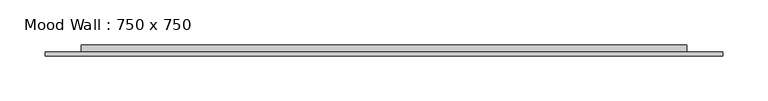
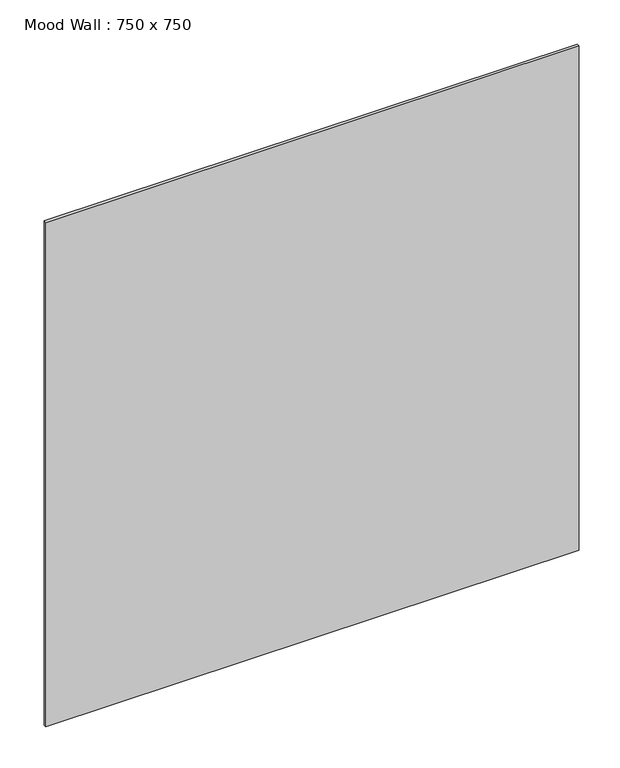
"""IFC4 building model written with IfcOpenShell, lengths in millimetres: furniture geometry, Mood Wall : 750 x 750."""

from ifc_helpers import new_model, si_unit, frame, origin, origin_with_axes, place, context, project, spatial, polyline, outline, extrude, source, transform, mapped, element, save


def mood_wall_750_x_750_5b5157f3(model_context):
    return source(origin(), model_context, "Body", "SweptSolid", [
        extrude(outline(polyline([(374.9972656, -8.0), (374.9972656, -12.0), (-374.9972656, -12.0), (-374.9972656, -8.0), (374.9972656, -8.0)])), origin_with_axes(), (0.0, 0.0, 1.0), 749.9945313),
        extrude(outline(polyline([(334.9972656, 0.0), (334.9972656, -8.0), (-334.9972656, -8.0), (-334.9972656, 0.0), (334.9972656, 0.0)])), frame((0.0, 0.0, 40.0), z_axis=(0.0, 0.0, 1.0), x_axis=(1.0, 0.0, 0.0)), (0.0, 0.0, 1.0), 669.9945312),
    ])


if __name__ == "__main__":
    model = new_model("IFC4")
    model_context = context("Model", 3, world=origin())
    ifc_project = project(units=[si_unit("LENGTHUNIT", "METRE", prefix="MILLI")], contexts=[model_context])
    site = spatial("IfcSite", under=ifc_project)
    building = spatial("IfcBuilding", under=site)
    placement = place(None, origin())
    mood_wall_750_x_750_shape = mood_wall_750_x_750_5b5157f3(model_context)
    element("IfcFurniture", 1, ObjectType="Mood Wall : 750 x 750", at=placement, inside=building, context=model_context, shape_type="MappedRepresentation", body=[
        mapped(mood_wall_750_x_750_shape, transform((0.0, 0.0, 0.0), x_axis=(1.0, 0.0, 0.0), y_axis=(0.0, 1.0, 0.0), z_axis=(0.0, 0.0, 1.0))),
    ])
    save(model, "model.ifc")
